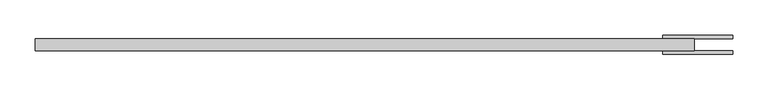
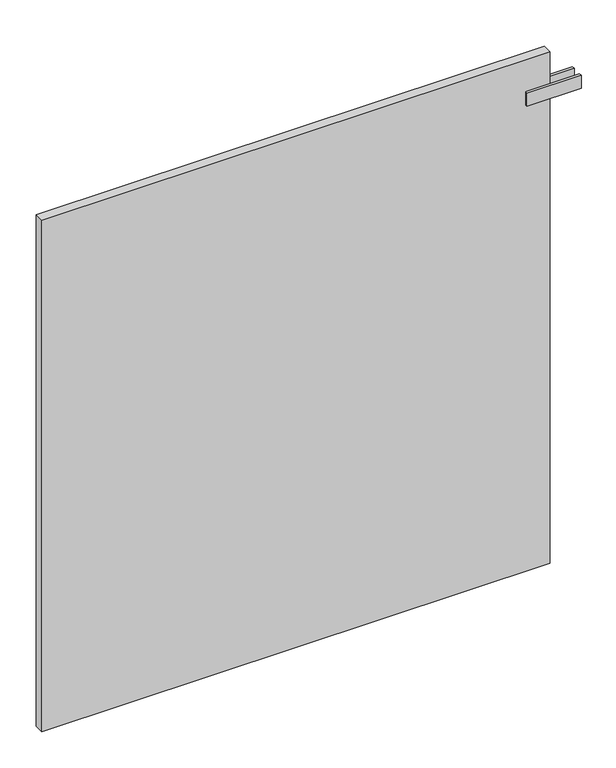
"""IFC4 building model written with IfcOpenShell, lengths in millimetres: plate geometry."""

from ifc_helpers import new_model, si_unit, frame, origin, origin_with_axes, place, context, project, spatial, polyline, outline, extrude, source, transform, mapped, element, save


def plate_eaa2a780(model_context):
    return source(origin(), model_context, "Body", "SweptSolid", [
        extrude(outline(polyline([(425.0000001, -45.75), (425.0000001, -40.75), (525.0000001, -40.75), (525.0000001, -45.75), (425.0000001, -45.75)])), frame((0.0, 0.0, 912.5), z_axis=(0.0, 0.0, 1.0), x_axis=(1.0, 0.0, 0.0)), (0.0, 0.0, 1.0), 25.0),
        extrude(outline(polyline([(425.0000001, -18.25), (525.0000001, -18.25), (525.0000001, -23.25), (425.0000001, -23.25), (425.0000001, -18.25)])), frame((0.0, 0.0, 912.5), z_axis=(0.0, 0.0, 1.0), x_axis=(1.0, 0.0, 0.0)), (0.0, 0.0, 1.0), 25.0),
        extrude(outline(polyline([(470.0000001, -23.25), (470.0000001, -40.75), (-470.0000001, -40.75), (-470.0000001, -23.25), (470.0000001, -23.25)])), origin_with_axes(), (0.0, 0.0, 1.0), 1000.0),
    ])


if __name__ == "__main__":
    model = new_model("IFC4")
    model_context = context("Model", 3, world=origin())
    ifc_project = project(units=[si_unit("LENGTHUNIT", "METRE", prefix="MILLI")], contexts=[model_context])
    site = spatial("IfcSite", under=ifc_project)
    building = spatial("IfcBuilding", under=site)
    placement = place(None, origin())
    plate_shape = plate_eaa2a780(model_context)
    element("IfcPlate", 1, at=placement, inside=building, context=model_context, shape_type="MappedRepresentation", body=[
        mapped(plate_shape, transform((0.0, 0.0, 0.0), x_axis=(1.0, 0.0, 0.0), y_axis=(0.0, 1.0, 0.0), z_axis=(0.0, 0.0, 1.0))),
    ])
    save(model, "model.ifc")
